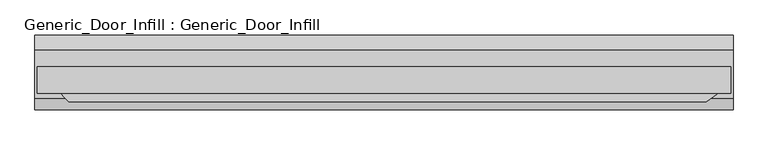
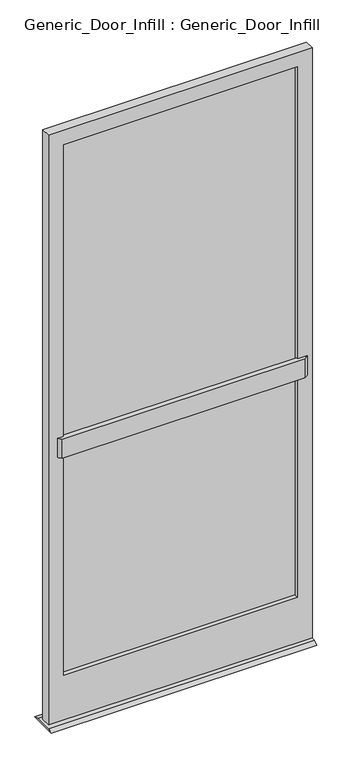
"""IFC4 building model written with IfcOpenShell, lengths in millimetres: plate geometry, Generic_Door_Infill : Generic_Door_Infill."""

from ifc_helpers import new_model, si_unit, frame, origin, place, context, project, spatial, polyline, outline, extrude, source, transform, mapped, element, save


def generic_door_infill_generic_door_infill_7b1e903e(model_context):
    return source(origin(), model_context, "Body", "SweptSolid", [
        extrude(outline(polyline([(-460.4594478, -23.1230014), (-478.41996, -5.1624892), (496.5769421, -5.1624892), (470.9266724, -23.1230014), (-460.4594478, -23.1230014)])), frame((0.0, 0.0, 1090.3849987), z_axis=(0.0, 0.0, 1.0), x_axis=(1.0, 0.0, 0.0)), (0.0, 0.0, 1.0), 78.0150013),
        extrude(outline(polyline([(-449.84496, 11.3062662), (449.84496, 11.3062662), (449.84496, 4.9562662), (-449.84496, 4.9562662), (-449.84496, 11.3062662)])), frame((0.0, 0.0, 200.025), z_axis=(0.0, 0.0, 1.0), x_axis=(1.0, 0.0, 0.0)), (0.0, 0.0, 1.0), 2152.65),
        extrude(outline(polyline([(2409.825, 506.99496), (2409.825, -506.99496), (17.4625, -506.99496), (17.4625, 506.99496), (2409.825, 506.99496)]), holes=[polyline([(2352.675, 449.84496), (200.025, 449.84496), (200.025, -449.84496), (2352.675, -449.84496), (2352.675, 449.84496)])]), frame((0.0, -11.5124892, 0.0), z_axis=(0.0, 1.0, 0.0), x_axis=(0.0, 0.0, 1.0)), (0.0, 0.0, 1.0), 39.2875108),
        extrude(outline(polyline([(-17.8624892, 8.0508779), (51.9875108, 8.0508779), (74.107116, 0.0), (-35.1276525, 0.0), (-17.8624892, 8.0508779)])), frame((-510.16996, 0.0, 0.0), z_axis=(1.0, 0.0, 0.0), x_axis=(0.0, 1.0, 0.0)), (0.0, 0.0, 1.0), 1020.33992),
    ])


if __name__ == "__main__":
    model = new_model("IFC4")
    model_context = context("Model", 3, world=origin())
    ifc_project = project(units=[si_unit("LENGTHUNIT", "METRE", prefix="MILLI")], contexts=[model_context])
    site = spatial("IfcSite", under=ifc_project)
    building = spatial("IfcBuilding", under=site)
    placement = place(None, origin())
    generic_door_infill_generic_door_infill_shape = generic_door_infill_generic_door_infill_7b1e903e(model_context)
    element("IfcPlate", 1, ObjectType="Generic_Door_Infill : Generic_Door_Infill", at=placement, inside=building, context=model_context, shape_type="MappedRepresentation", body=[
        mapped(generic_door_infill_generic_door_infill_shape, transform((0.0, 0.0, 0.0), x_axis=(1.0, 0.0, 0.0), y_axis=(0.0, 1.0, 0.0), z_axis=(0.0, 0.0, 1.0))),
    ])
    save(model, "model.ifc")
